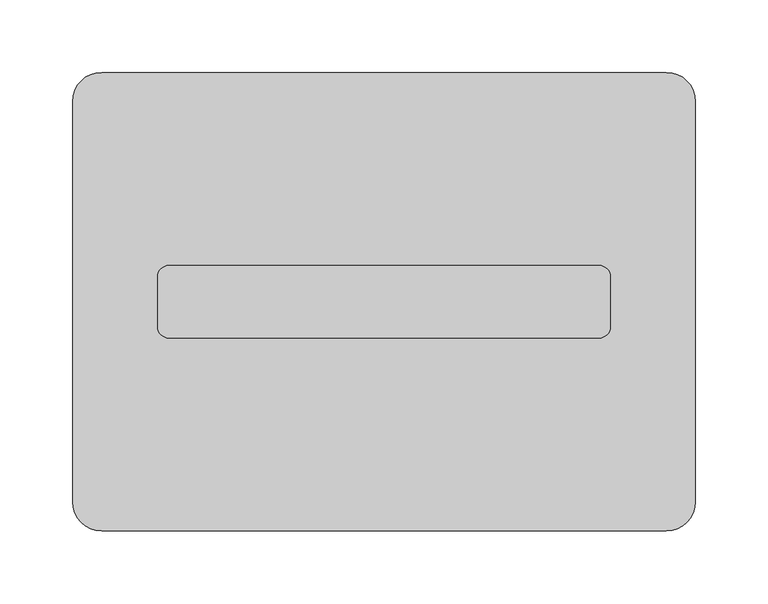
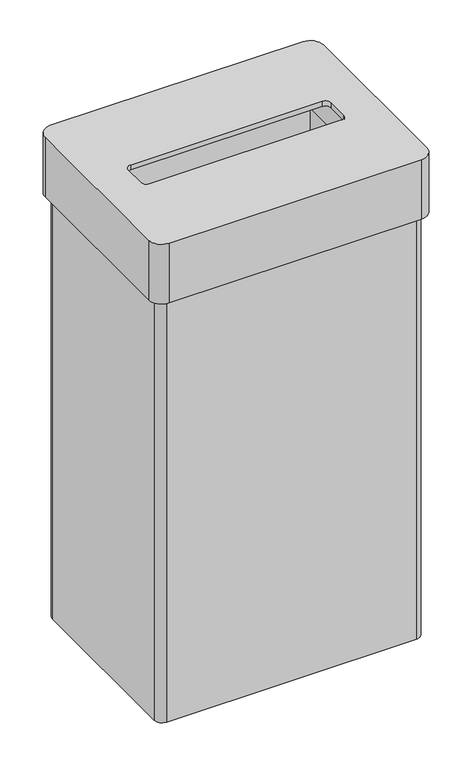
"""IFC4 building model written with IfcOpenShell, lengths in millimetres: furniture geometry."""

from ifc_helpers import new_model, si_unit, frame, origin, place, context, project, spatial, polyline, circle_curve, source, transform, mapped, element, save
from ifc_brep_helpers import plane_surface, cylinder_surface, revolved_surface, advanced_brep


def furniture_2f1b839b(model_context):
    return source(origin(), model_context, "Body", "AdvancedBrep", [
        advanced_brep(
        [(192.5, 148.0, 689.0), (-192.5, 148.0, 689.0), (-204.5, 136.0, 689.0), (-204.5, -136.0, 689.0), (-192.5, -148.0, 689.0), (192.5, -148.0, 689.0), (204.5, -136.0, 689.0), (204.5, 136.0, 689.0), (194.5, 138.0, 689.0), (194.5, -138.0, 689.0), (-194.5, -138.0, 689.0), (-194.5, 138.0, 689.0), (192.5, 148.0, 0.0), (204.5, 136.0, 0.0), (204.5, -136.0, 0.0), (192.5, -148.0, 0.0), (-192.5, -148.0, 0.0), (-204.5, -136.0, 0.0), (-204.5, 136.0, 0.0), (-192.5, 148.0, 0.0), (194.5, 138.0, 8.0), (194.5, -138.0, 8.0), (-194.5, -138.0, 8.0), (-194.5, 138.0, 8.0)],
        [
            (0, 1),
            (1, 2, circle_curve(frame((-192.5, 136.0, 689.0), z_axis=(0.0, 0.0, 1.0), x_axis=(1.0, 0.0, 0.0)), 12.0)),
            (2, 3),
            (3, 4, circle_curve(frame((-192.5, -136.0, 689.0), z_axis=(0.0, 0.0, 1.0), x_axis=(1.0, 0.0, 0.0)), 12.0)),
            (4, 5),
            (5, 6, circle_curve(frame((192.5, -136.0, 689.0), z_axis=(0.0, 0.0, 1.0), x_axis=(1.0, 0.0, 0.0)), 12.0)),
            (6, 7),
            (7, 0, circle_curve(frame((192.5, 136.0, 689.0), z_axis=(0.0, 0.0, 1.0), x_axis=(1.0, 0.0, 0.0)), 12.0)),
            (8, 9),
            (9, 10),
            (10, 11),
            (11, 8),
            (12, 13, circle_curve(frame((192.5, 136.0, 0.0), z_axis=(0.0, 0.0, -1.0), x_axis=(1.0, 0.0, 0.0)), 12.0)),
            (13, 14),
            (14, 15, circle_curve(frame((192.5, -136.0, 0.0), z_axis=(0.0, 0.0, -1.0), x_axis=(1.0, 0.0, 0.0)), 12.0)),
            (15, 16),
            (16, 17, circle_curve(frame((-192.5, -136.0, 0.0), z_axis=(0.0, 0.0, -1.0), x_axis=(1.0, 0.0, 0.0)), 12.0)),
            (17, 18),
            (18, 19, circle_curve(frame((-192.5, 136.0, 0.0), z_axis=(0.0, 0.0, -1.0), x_axis=(1.0, 0.0, 0.0)), 12.0)),
            (19, 12),
            (8, 20),
            (20, 21),
            (21, 9),
            (21, 22),
            (22, 10),
            (22, 23),
            (23, 11),
            (23, 20),
            (0, 12),
            (19, 1),
            (18, 2),
            (17, 3),
            (16, 4),
            (15, 5),
            (14, 6),
            (13, 7),
        ],
        [
            plane_surface(frame((194.5, 138.0, 689.0), z_axis=(0.0, 0.0, 1.0), x_axis=(0.0, -1.0, 0.0))),
            plane_surface(frame((194.5, 138.0, 0.0), z_axis=(0.0, 0.0, -1.0), x_axis=(0.0, 1.0, 0.0))),
            plane_surface(frame((194.5, 138.0, 689.0), z_axis=(-1.0, 0.0, 0.0), x_axis=(0.0, 0.0, -1.0))),
            plane_surface(frame((194.5, -138.0, 689.0), z_axis=(0.0, 1.0, 0.0), x_axis=(0.0, 0.0, -1.0))),
            plane_surface(frame((-194.5, -138.0, 689.0), z_axis=(1.0, 0.0, 0.0), x_axis=(0.0, 0.0, -1.0))),
            plane_surface(frame((-194.5, 138.0, 689.0), z_axis=(0.0, -1.0, 0.0), x_axis=(0.0, 0.0, -1.0))),
            plane_surface(frame((192.5, 148.0, 689.0), z_axis=(0.0, 1.0, 0.0), x_axis=(0.0, 0.0, -1.0))),
            cylinder_surface(frame((-192.5, 136.0, 0.0), z_axis=(0.0, 0.0, 1.0), x_axis=(1.0, 0.0, 0.0)), 12.0),
            plane_surface(frame((-204.5, 136.0, 689.0), z_axis=(-1.0, 0.0, 0.0), x_axis=(0.0, 0.0, -1.0))),
            cylinder_surface(frame((-192.5, -136.0, 0.0), z_axis=(0.0, 0.0, 1.0), x_axis=(1.0, 0.0, 0.0)), 12.0),
            plane_surface(frame((-192.5, -148.0, 689.0), z_axis=(0.0, -1.0, 0.0), x_axis=(0.0, 0.0, -1.0))),
            cylinder_surface(frame((192.5, -136.0, 0.0), z_axis=(0.0, 0.0, 1.0), x_axis=(1.0, 0.0, 0.0)), 12.0),
            plane_surface(frame((204.5, -136.0, 689.0), z_axis=(1.0, 0.0, 0.0), x_axis=(0.0, 0.0, -1.0))),
            cylinder_surface(frame((192.5, 136.0, 0.0), z_axis=(0.0, 0.0, 1.0), x_axis=(1.0, 0.0, 0.0)), 12.0),
            plane_surface(frame((-194.5, 138.0, 8.0), z_axis=(0.0, 0.0, 1.0), x_axis=(-1.0, 0.0, 0.0))),
        ],
        [
            (0, [[1, 2, 3, 4, 5, 6, 7, 8], [9, 10, 11, 12]]),
            (1, [[13, 14, 15, 16, 17, 18, 19, 20]]),
            (2, [[-9, 21, 22, 23]]),
            (3, [[-10, -23, 24, 25]]),
            (4, [[-11, -25, 26, 27]]),
            (5, [[-12, -27, 28, -21]]),
            (6, [[-1, 29, -20, 30]]),
            (7, [[-2, -30, -19, 31]]),
            (8, [[-3, -31, -18, 32]]),
            (9, [[-4, -32, -17, 33]]),
            (10, [[-5, -33, -16, 34]]),
            (11, [[-6, -34, -15, 35]]),
            (12, [[-7, -35, -14, 36]]),
            (13, [[-8, -36, -13, -29]]),
            (14, [[-22, -28, -26, -24]]),
        ],
    ),
        advanced_brep(
        [(194.5, 158.0, 786.0), (-194.5, 158.0, 786.0), (-214.5, 138.0, 786.0), (-214.5, -138.0, 786.0), (-194.5, -158.0, 786.0), (194.5, -158.0, 786.0), (214.5, -138.0, 786.0), (214.5, 138.0, 786.0), (148.0, 25.0, 786.0), (156.0, 17.0, 786.0), (156.0, -17.0, 786.0), (148.0, -25.0, 786.0), (-148.0, -25.0, 786.0), (-156.0, -17.0, 786.0), (-156.0, 17.0, 786.0), (-148.0, 25.0, 786.0), (194.5, 138.0, 778.0), (194.5, -138.0, 778.0), (-194.5, -138.0, 778.0), (-194.5, 138.0, 778.0), (148.0, 25.0, 778.0), (-148.0, 25.0, 778.0), (-156.0, 17.0, 778.0), (-156.0, -17.0, 778.0), (-148.0, -25.0, 778.0), (148.0, -25.0, 778.0), (156.0, -17.0, 778.0), (156.0, 17.0, 778.0), (194.5, 158.0, 689.0), (214.5, 138.0, 689.0), (214.5, -138.0, 689.0), (194.5, -158.0, 689.0), (-194.5, -158.0, 689.0), (-214.5, -138.0, 689.0), (-214.5, 138.0, 689.0), (-194.5, 158.0, 689.0), (194.5, 138.0, 689.0), (-194.5, 138.0, 689.0), (-194.5, -138.0, 689.0), (194.5, -138.0, 689.0)],
        [
            (0, 1),
            (1, 2, circle_curve(frame((-194.5, 138.0, 786.0), z_axis=(0.0, 0.0, 1.0), x_axis=(1.0, 0.0, 0.0)), 20.0)),
            (2, 3),
            (3, 4, circle_curve(frame((-194.5, -138.0, 786.0), z_axis=(0.0, 0.0, 1.0), x_axis=(1.0, 0.0, 0.0)), 20.0)),
            (4, 5),
            (5, 6, circle_curve(frame((194.5, -138.0, 786.0), z_axis=(0.0, 0.0, 1.0), x_axis=(1.0, 0.0, 0.0)), 20.0)),
            (6, 7),
            (7, 0, circle_curve(frame((194.5, 138.0, 786.0), z_axis=(0.0, 0.0, 1.0), x_axis=(1.0, 0.0, 0.0)), 20.0)),
            (8, 9, circle_curve(frame((148.0, 17.0, 786.0), z_axis=(0.0, 0.0, -1.0), x_axis=(1.0, 0.0, 0.0)), 8.0)),
            (9, 10),
            (10, 11, circle_curve(frame((148.0, -17.0, 786.0), z_axis=(0.0, 0.0, -1.0), x_axis=(1.0, 0.0, 0.0)), 8.0)),
            (11, 12),
            (12, 13, circle_curve(frame((-148.0, -17.0, 786.0), z_axis=(0.0, 0.0, -1.0), x_axis=(1.0, 0.0, 0.0)), 8.0)),
            (13, 14),
            (14, 15, circle_curve(frame((-148.0, 17.0, 786.0), z_axis=(0.0, 0.0, -1.0), x_axis=(1.0, 0.0, 0.0)), 8.0)),
            (15, 8),
            (16, 17),
            (17, 18),
            (18, 19),
            (19, 16),
            (20, 21),
            (21, 22, circle_curve(frame((-148.0, 17.0, 778.0), z_axis=(0.0, 0.0, 1.0), x_axis=(1.0, 0.0, 0.0)), 8.0)),
            (22, 23),
            (23, 24, circle_curve(frame((-148.0, -17.0, 778.0), z_axis=(0.0, 0.0, 1.0), x_axis=(1.0, 0.0, 0.0)), 8.0)),
            (24, 25),
            (25, 26, circle_curve(frame((148.0, -17.0, 778.0), z_axis=(0.0, 0.0, 1.0), x_axis=(1.0, 0.0, 0.0)), 8.0)),
            (26, 27),
            (27, 20, circle_curve(frame((148.0, 17.0, 778.0), z_axis=(0.0, 0.0, 1.0), x_axis=(1.0, 0.0, 0.0)), 8.0)),
            (8, 20),
            (27, 9),
            (26, 10),
            (25, 11),
            (24, 12),
            (23, 13),
            (22, 14),
            (21, 15),
            (28, 29, circle_curve(frame((194.5, 138.0, 689.0), z_axis=(0.0, 0.0, -1.0), x_axis=(1.0, 0.0, 0.0)), 20.0)),
            (29, 30),
            (30, 31, circle_curve(frame((194.5, -138.0, 689.0), z_axis=(0.0, 0.0, -1.0), x_axis=(1.0, 0.0, 0.0)), 20.0)),
            (31, 32),
            (32, 33, circle_curve(frame((-194.5, -138.0, 689.0), z_axis=(0.0, 0.0, -1.0), x_axis=(1.0, 0.0, 0.0)), 20.0)),
            (33, 34),
            (34, 35, circle_curve(frame((-194.5, 138.0, 689.0), z_axis=(0.0, 0.0, -1.0), x_axis=(1.0, 0.0, 0.0)), 20.0)),
            (35, 28),
            (36, 37),
            (37, 38),
            (38, 39),
            (39, 36),
            (0, 28),
            (35, 1),
            (34, 2),
            (33, 3),
            (32, 4),
            (31, 5),
            (30, 6),
            (29, 7),
            (39, 17),
            (16, 36),
            (38, 18),
            (37, 19),
        ],
        [
            plane_surface(frame((-194.5, 138.0, 786.0), z_axis=(0.0, 0.0, 1.0), x_axis=(-1.0, 0.0, 0.0))),
            plane_surface(frame((-194.5, 138.0, 778.0), z_axis=(0.0, 0.0, -1.0), x_axis=(1.0, 0.0, 0.0))),
            revolved_surface(polyline([(156.0, 17.0, 778.0), (156.0, 17.0, 786.0)]), (148.0, 17.0, 786.0), (0.0, 0.0, -1.0)),
            plane_surface(frame((156.0, 17.0, 786.0), z_axis=(-1.0, 0.0, 0.0), x_axis=(0.0, 0.0, -1.0))),
            revolved_surface(polyline([(156.0, -17.0, 778.0), (156.0, -17.0, 786.0)]), (148.0, -17.0, 786.0), (0.0, 0.0, -1.0)),
            plane_surface(frame((148.0, -25.0, 786.0), z_axis=(0.0, 1.0, 0.0), x_axis=(0.0, 0.0, -1.0))),
            revolved_surface(polyline([(-140.0, -17.0, 778.0), (-140.0, -17.0, 786.0)]), (-148.0, -17.0, 786.0), (0.0, 0.0, -1.0)),
            plane_surface(frame((-156.0, -17.0, 786.0), z_axis=(1.0, 0.0, 0.0), x_axis=(0.0, 0.0, -1.0))),
            revolved_surface(polyline([(-140.0, 17.0, 778.0), (-140.0, 17.0, 786.0)]), (-148.0, 17.0, 786.0), (0.0, 0.0, -1.0)),
            plane_surface(frame((-148.0, 25.0, 786.0), z_axis=(0.0, -1.0, 0.0), x_axis=(0.0, 0.0, -1.0))),
            plane_surface(frame((-194.5, 158.0, 689.0), z_axis=(0.0, 0.0, -1.0), x_axis=(1.0, 0.0, 0.0))),
            plane_surface(frame((194.5, 158.0, 786.0), z_axis=(0.0, 1.0, 0.0), x_axis=(0.0, 0.0, -1.0))),
            cylinder_surface(frame((-194.5, 138.0, 689.0), z_axis=(0.0, 0.0, 1.0), x_axis=(1.0, 0.0, 0.0)), 20.0),
            plane_surface(frame((-214.5, 138.0, 786.0), z_axis=(-1.0, 0.0, 0.0), x_axis=(0.0, 0.0, -1.0))),
            cylinder_surface(frame((-194.5, -138.0, 689.0), z_axis=(0.0, 0.0, 1.0), x_axis=(1.0, 0.0, 0.0)), 20.0),
            plane_surface(frame((-194.5, -158.0, 786.0), z_axis=(0.0, -1.0, 0.0), x_axis=(0.0, 0.0, -1.0))),
            cylinder_surface(frame((194.5, -138.0, 689.0), z_axis=(0.0, 0.0, 1.0), x_axis=(1.0, 0.0, 0.0)), 20.0),
            plane_surface(frame((214.5, -138.0, 786.0), z_axis=(1.0, 0.0, 0.0), x_axis=(0.0, 0.0, -1.0))),
            cylinder_surface(frame((194.5, 138.0, 689.0), z_axis=(0.0, 0.0, 1.0), x_axis=(1.0, 0.0, 0.0)), 20.0),
            plane_surface(frame((194.5, 138.0, 786.0), z_axis=(-1.0, 0.0, 0.0), x_axis=(0.0, 0.0, -1.0))),
            plane_surface(frame((194.5, -138.0, 786.0), z_axis=(0.0, 1.0, 0.0), x_axis=(0.0, 0.0, -1.0))),
            plane_surface(frame((-194.5, -138.0, 786.0), z_axis=(1.0, 0.0, 0.0), x_axis=(0.0, 0.0, -1.0))),
            plane_surface(frame((-194.5, 138.0, 786.0), z_axis=(0.0, -1.0, 0.0), x_axis=(0.0, 0.0, -1.0))),
        ],
        [
            (0, [[1, 2, 3, 4, 5, 6, 7, 8], [9, 10, 11, 12, 13, 14, 15, 16]]),
            (1, [[17, 18, 19, 20], [21, 22, 23, 24, 25, 26, 27, 28]]),
            (2, [[-9, 29, -28, 30]]),
            (3, [[-10, -30, -27, 31]]),
            (4, [[-11, -31, -26, 32]]),
            (5, [[-12, -32, -25, 33]]),
            (6, [[-13, -33, -24, 34]]),
            (7, [[-14, -34, -23, 35]]),
            (8, [[-15, -35, -22, 36]]),
            (9, [[-16, -36, -21, -29]]),
            (10, [[37, 38, 39, 40, 41, 42, 43, 44], [45, 46, 47, 48]]),
            (11, [[-1, 49, -44, 50]]),
            (12, [[-2, -50, -43, 51]]),
            (13, [[-3, -51, -42, 52]]),
            (14, [[-4, -52, -41, 53]]),
            (15, [[-5, -53, -40, 54]]),
            (16, [[-6, -54, -39, 55]]),
            (17, [[-7, -55, -38, 56]]),
            (18, [[-8, -56, -37, -49]]),
            (19, [[-48, 57, -17, 58]]),
            (20, [[-47, 59, -18, -57]]),
            (21, [[-46, 60, -19, -59]]),
            (22, [[-45, -58, -20, -60]]),
        ],
    ),
    ])


if __name__ == "__main__":
    model = new_model("IFC4")
    model_context = context("Model", 3, world=origin())
    ifc_project = project(units=[si_unit("LENGTHUNIT", "METRE", prefix="MILLI")], contexts=[model_context])
    site = spatial("IfcSite", under=ifc_project)
    building = spatial("IfcBuilding", under=site)
    placement = place(None, origin())
    furniture_shape = furniture_2f1b839b(model_context)
    element("IfcFurniture", 1, at=placement, inside=building, context=model_context, shape_type="MappedRepresentation", body=[
        mapped(furniture_shape, transform((0.0, 0.0, 0.0), x_axis=(1.0, 0.0, 0.0), y_axis=(0.0, 1.0, 0.0), z_axis=(0.0, 0.0, 1.0))),
    ])
    save(model, "model.ifc")
